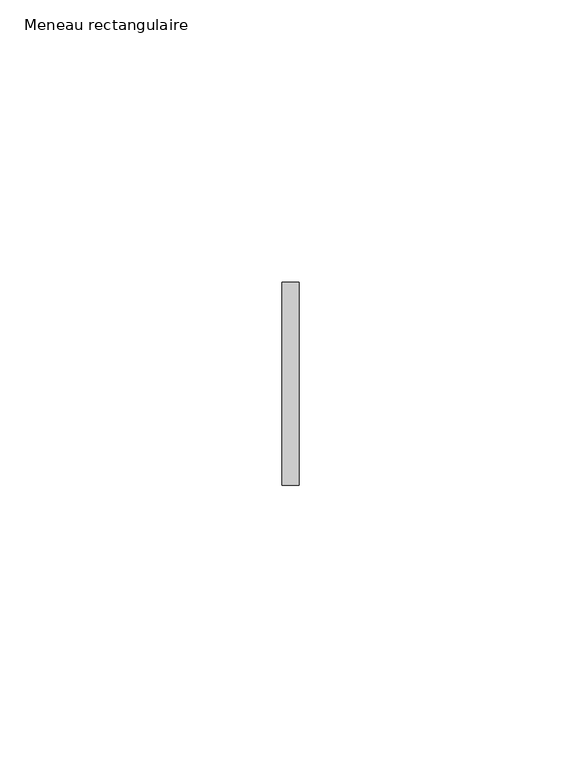
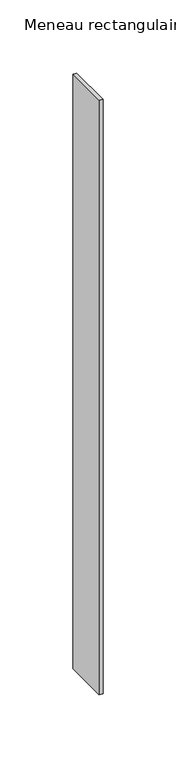
"""IFC4 building model written with IfcOpenShell, lengths in millimetres: member geometry, Meneau rectangulaire."""

from ifc_helpers import new_model, si_unit, frame, origin, place, context, project, spatial, polyline, outline, extrude, source, transform, mapped, element, save


def meneau_rectangulaire_ef167911(model_context):
    return source(origin(), model_context, "Body", "SweptSolid", [
        extrude(outline(polyline([(-1.5, 18.0), (1.5, 18.0), (1.5, -18.0), (-1.5, -18.0), (-1.5, 18.0)])), frame((0.0, 0.0, -497.0), z_axis=(0.0, 0.0, 1.0), x_axis=(1.0, 0.0, 0.0)), (0.0, 0.0, 1.0), 497.0),
    ])


if __name__ == "__main__":
    model = new_model("IFC4")
    model_context = context("Model", 3, world=origin())
    ifc_project = project(units=[si_unit("LENGTHUNIT", "METRE", prefix="MILLI")], contexts=[model_context])
    site = spatial("IfcSite", under=ifc_project)
    building = spatial("IfcBuilding", under=site)
    placement = place(None, origin())
    meneau_rectangulaire_shape = meneau_rectangulaire_ef167911(model_context)
    element("IfcMember", 1, ObjectType="Meneau rectangulaire", at=placement, inside=building, context=model_context, shape_type="MappedRepresentation", body=[
        mapped(meneau_rectangulaire_shape, transform((0.0, 0.0, 0.0), x_axis=(1.0, 0.0, 0.0), y_axis=(0.0, 1.0, 0.0), z_axis=(0.0, 0.0, 1.0))),
    ])
    save(model, "model.ifc")
